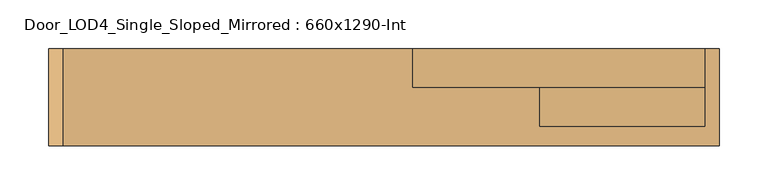
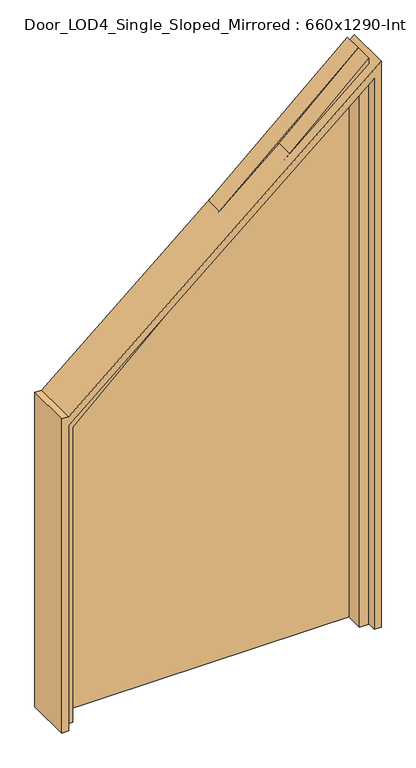
"""IFC4 building model written with IfcOpenShell, lengths in millimetres: door geometry, Door_LOD4_Single_Sloped_Mirrored : 660x1290-Int."""

from ifc_helpers import new_model, si_unit, frame, origin, place, context, project, spatial, polyline, outline, extrude, source, transform, mapped, element, save


def door_lod4_single_sloped_mirrored_660x1290_int_0b773572(model_context):
    return source(origin(), model_context, "Body", "SweptSolid", [
        extrude(outline(polyline([(700.0, -330.0), (0.0, -330.0), (0.0, 330.0), (1290.0000517, 330.0), (700.0, -330.0)])), frame((0.0, 10.0, 0.0), z_axis=(0.0, 1.0, 0.0), x_axis=(0.0, 0.0, 1.0)), (0.0, 0.0, 1.0), 40.0),
        extrude(outline(polyline([(696.642545, -330.0), (1257.5662996, 330.0), (0.0, 330.0), (0.0, 345.0), (1290.0000517, 345.0), (716.3280299, -330.0), (716.3280299, -345.0), (0.0, -345.0), (0.0, -330.0), (696.642545, -330.0)])), frame((0.0, -50.0, 0.0), z_axis=(0.0, 1.0, 0.0), x_axis=(0.0, 0.0, 1.0)), (0.0, 0.0, 1.0), 100.0),
        extrude(outline(polyline([(700.0, -330.0), (0.0, -330.0), (0.0, -310.0), (672.7981349, -310.0), (1244.3606849, 310.0), (0.0, 310.0), (0.0, 330.0), (1290.0000517, 330.0), (700.0, -310.0), (700.0, -330.0)])), frame((0.0, -30.0, 0.0), z_axis=(0.0, 1.0, 0.0), x_axis=(0.0, 0.0, 1.0)), (0.0, 0.0, 1.0), 40.0),
    ])


if __name__ == "__main__":
    model = new_model("IFC4")
    model_context = context("Model", 3, world=origin())
    ifc_project = project(units=[si_unit("LENGTHUNIT", "METRE", prefix="MILLI")], contexts=[model_context])
    site = spatial("IfcSite", under=ifc_project)
    building = spatial("IfcBuilding", under=site)
    placement = place(None, origin())
    door_lod4_single_sloped_mirrored_660x1290_int_shape = door_lod4_single_sloped_mirrored_660x1290_int_0b773572(model_context)
    element("IfcDoor", 1, ObjectType="Door_LOD4_Single_Sloped_Mirrored : 660x1290-Int", at=placement, inside=building, context=model_context, shape_type="MappedRepresentation", body=[
        mapped(door_lod4_single_sloped_mirrored_660x1290_int_shape, transform((0.0, 0.0, 0.0), x_axis=(1.0, 0.0, 0.0), y_axis=(0.0, 1.0, 0.0), z_axis=(0.0, 0.0, 1.0))),
    ])
    save(model, "model.ifc")
